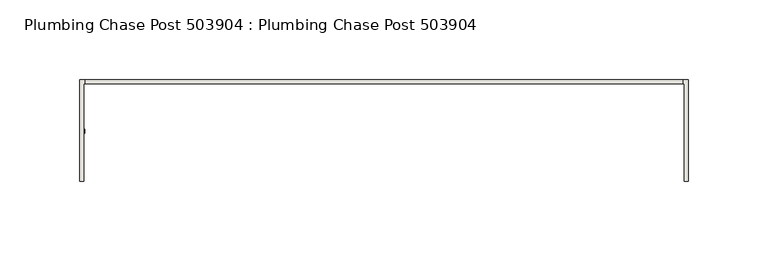
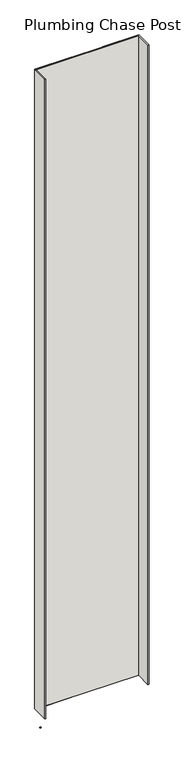
"""IFC4 building model written with IfcOpenShell, lengths in millimetres: wall geometry, Plumbing Chase Post 503904 : Plumbing Chase Post 503904."""

from ifc_helpers import new_model, si_unit, frame, origin, place, context, project, spatial, polyline, outline, extrude, source, transform, mapped, element, save


def plumbing_chase_post_503904_plumbing_chase_post_503904_7c9d4c89(model_context):
    return source(origin(), model_context, "Body", "SweptSolid", [
        extrude(outline(polyline([(50175.2493064, -53342.677668), (50172.7093064, -53342.677668), (50172.7093064, -53340.137668), (50175.2493064, -53340.137668), (50175.2493064, -53342.677668)])), frame((0.0, 0.0, 4419.6), z_axis=(0.0, 0.0, 1.0), x_axis=(1.0, 0.0, 0.0)), (0.0, 0.0, 1.0), 2.54),
        extrude(outline(polyline([(50175.4148636, -53309.3910188), (50551.0043334, -53309.3910188), (50551.0043334, -53312.0575108), (50175.4148636, -53312.0575108), (50175.4148636, -53309.3910188)])), frame((0.0, 0.0, 4474.8958), z_axis=(0.0, 0.0, 1.0), x_axis=(1.0, 0.0, 0.0)), (0.0, 0.0, 1.0), 2481.1482254),
        extrude(outline(polyline([(50175.4148636, -53309.3910188), (50551.0043334, -53309.3910188), (50551.0043334, -53312.0575108), (50175.4148636, -53312.0575108), (50175.4148636, -53309.3910188)])), frame((0.0, 0.0, 4474.8958), z_axis=(0.0, 0.0, 1.0), x_axis=(1.0, 0.0, 0.0)), (0.0, 0.0, 1.0), 2481.1482254),
        extrude(outline(polyline([(50171.9608192, -53309.3910188), (50305.3108192, -53309.3910188), (50305.3108192, -53312.0575108), (50174.6273112, -53312.0575108), (50174.6273112, -53373.3995014), (50171.9608192, -53373.3995014), (50171.9608192, -53309.3910188)])), frame((0.0, 0.0, 4474.8958), z_axis=(0.0, 0.0, 1.0), x_axis=(1.0, 0.0, 0.0)), (0.0, 0.0, 1.0), 2481.1482254),
        extrude(outline(polyline([(50171.9608192, -53309.3910188), (50305.3108192, -53309.3910188), (50305.3108192, -53312.0575108), (50174.6273112, -53312.0575108), (50174.6273112, -53373.3995014), (50171.9608192, -53373.3995014), (50171.9608192, -53309.3910188)])), frame((0.0, 0.0, 4474.8958), z_axis=(0.0, 0.0, 1.0), x_axis=(1.0, 0.0, 0.0)), (0.0, 0.0, 1.0), 2481.1482254),
        extrude(outline(polyline([(50421.1084032, -53312.0575108), (50421.1084032, -53309.3910188), (50554.4584032, -53309.3910188), (50554.4584032, -53373.3995014), (50551.7918858, -53373.3995014), (50551.7918858, -53312.0575108), (50421.1084032, -53312.0575108)])), frame((0.0, 0.0, 4474.8958), z_axis=(0.0, 0.0, 1.0), x_axis=(1.0, 0.0, 0.0)), (0.0, 0.0, 1.0), 2481.1482254),
        extrude(outline(polyline([(50421.1084032, -53312.0575108), (50421.1084032, -53309.3910188), (50554.4584032, -53309.3910188), (50554.4584032, -53373.3995014), (50551.7918858, -53373.3995014), (50551.7918858, -53312.0575108), (50421.1084032, -53312.0575108)])), frame((0.0, 0.0, 4474.8958), z_axis=(0.0, 0.0, 1.0), x_axis=(1.0, 0.0, 0.0)), (0.0, 0.0, 1.0), 2481.1482254),
    ])


if __name__ == "__main__":
    model = new_model("IFC4")
    model_context = context("Model", 3, world=origin())
    ifc_project = project(units=[si_unit("LENGTHUNIT", "METRE", prefix="MILLI")], contexts=[model_context])
    site = spatial("IfcSite", under=ifc_project)
    building = spatial("IfcBuilding", under=site)
    placement = place(None, origin())
    plumbing_chase_post_503904_plumbing_chase_post_503904_shape = plumbing_chase_post_503904_plumbing_chase_post_503904_7c9d4c89(model_context)
    element("IfcWall", 1, ObjectType="Plumbing Chase Post 503904 : Plumbing Chase Post 503904", at=placement, inside=building, context=model_context, shape_type="MappedRepresentation", body=[
        mapped(plumbing_chase_post_503904_plumbing_chase_post_503904_shape, transform((0.0, 0.0, 0.0), x_axis=(1.0, 0.0, 0.0), y_axis=(0.0, 1.0, 0.0), z_axis=(0.0, 0.0, 1.0))),
    ])
    save(model, "model.ifc")
